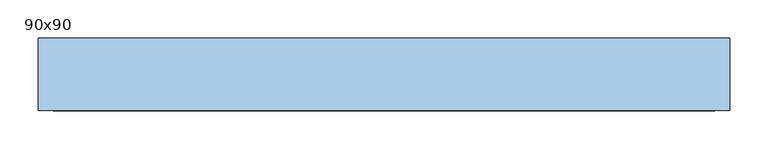
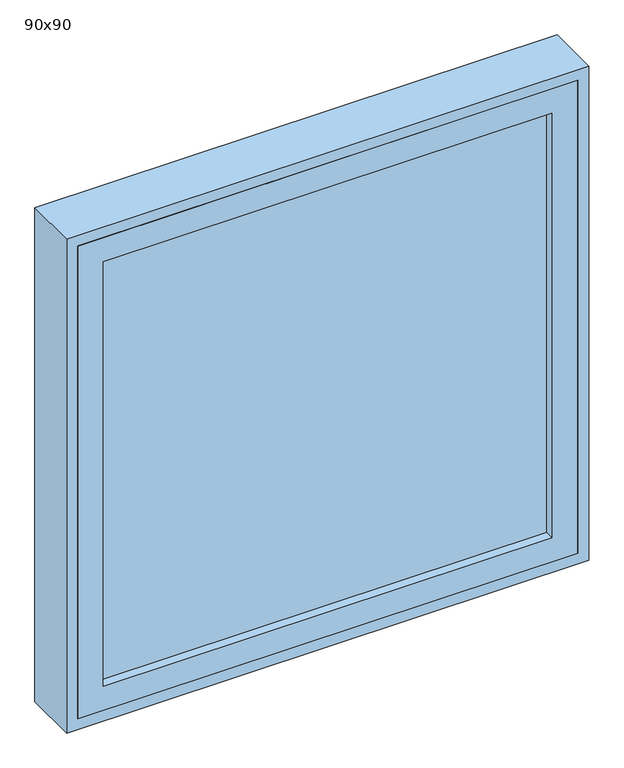
"""IFC4 building model written with IfcOpenShell, lengths in millimetres: window geometry, 90x90."""

from ifc_helpers import new_model, si_unit, frame, origin, place, context, project, spatial, polyline, outline, extrude, source, transform, mapped, element, save


def window_90x90_37ff126b(model_context):
    return source(origin(), model_context, "Body", "SweptSolid", [
        extrude(outline(polyline([(348.4, 106.425), (-424.6, 106.425), (-424.6, 119.125), (348.4, 119.125), (348.4, 106.425)])), frame((0.0, 0.0, 977.9), z_axis=(0.0, 0.0, 1.0), x_axis=(1.0, 0.0, 0.0)), (0.0, 0.0, 1.0), 773.0),
        extrude(outline(polyline([(1795.35, -469.05), (933.45, -469.05), (933.45, 392.85), (1795.35, 392.85), (1795.35, -469.05)]), holes=[polyline([(1750.9, -424.6), (1750.9, 348.4), (977.9, 348.4), (977.9, -424.6), (1750.9, -424.6)])]), frame((0.0, 90.55, 0.0), z_axis=(0.0, 1.0, 0.0), x_axis=(0.0, 0.0, 1.0)), (0.0, 0.0, 1.0), 44.45),
        extrude(outline(polyline([(1814.4, 411.9), (1814.4, -488.1), (914.4, -488.1), (914.4, 411.9), (1814.4, 411.9)]), holes=[polyline([(1795.35, 392.85), (933.45, 392.85), (933.45, -469.05), (1795.35, -469.05), (1795.35, 392.85)])]), frame((0.0, 90.55, 0.0), z_axis=(0.0, 1.0, 0.0), x_axis=(0.0, 0.0, 1.0)), (0.0, 0.0, 1.0), 94.45),
    ])


if __name__ == "__main__":
    model = new_model("IFC4")
    model_context = context("Model", 3, world=origin())
    ifc_project = project(units=[si_unit("LENGTHUNIT", "METRE", prefix="MILLI")], contexts=[model_context])
    site = spatial("IfcSite", under=ifc_project)
    building = spatial("IfcBuilding", under=site)
    placement = place(None, origin())
    window_90x90_shape = window_90x90_37ff126b(model_context)
    element("IfcWindow", 1, ObjectType="90x90", at=placement, inside=building, context=model_context, shape_type="MappedRepresentation", body=[
        mapped(window_90x90_shape, transform((0.0, 0.0, 0.0), x_axis=(1.0, 0.0, 0.0), y_axis=(0.0, 1.0, 0.0), z_axis=(0.0, 0.0, 1.0))),
    ])
    save(model, "model.ifc")
